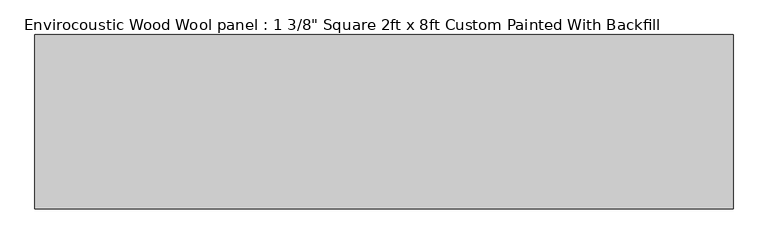
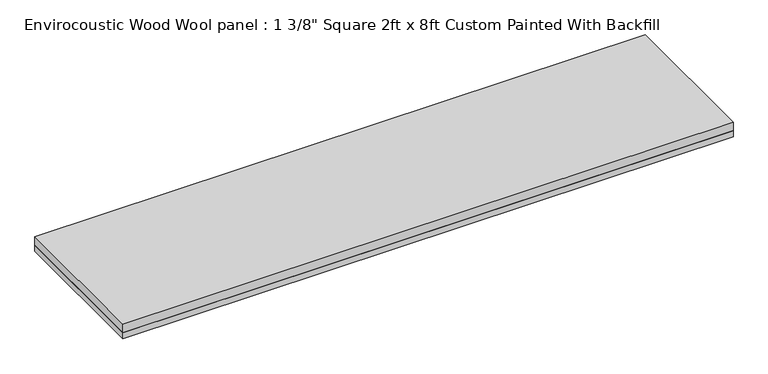
"""IFC4 building model written with IfcOpenShell, lengths in millimetres: proxy geometry."""

import ifcopenshell
import ifcopenshell.guid

model = None  # the IFC model being written
_history = None  # IfcOwnerHistory: only IFC2X3 demands one
_inside = {}  # id of a spatial element -> (the spatial element, [elements in it])
_under = {}  # id of a project, library or spatial element -> (it, [spatial elements below it])
_declared = {}  # id of a project -> (the project, [libraries it declares])
_typed = {}  # id of a type object -> (the type object, [elements of that type])
_made_of = {}  # id of a material, layer set ... -> (it, [elements and type objects made of it])


def new_model(schema):
    """Start an empty IFC model of exactly this schema.

    Asked for "IFC4X3", IfcOpenShell would pick the latest addendum, in which some entities
    have other attributes; the version numbers below select the first issue.
    IFC2X3 requires an IfcOwnerHistory on every rooted entity: one is made here for all.
    """
    global model, _history
    if schema == "IFC4X3":
        model = ifcopenshell.file(schema_version=(4, 3, 0, 0))
    else:
        model = ifcopenshell.file(schema=schema)
    _inside.clear()
    _under.clear()
    _declared.clear()
    _typed.clear()
    _made_of.clear()
    _history = None
    if model.schema == "IFC2X3":
        org = make("IfcOrganization", Name="unknown")
        user = make(
            "IfcPersonAndOrganization",
            ThePerson=make("IfcPerson", FamilyName="unknown"),
            TheOrganization=org,
        )
        app = make(
            "IfcApplication",
            ApplicationDeveloper=org,
            Version="unknown",
            ApplicationFullName="unknown",
            ApplicationIdentifier="unknown",
        )
        _history = make(
            "IfcOwnerHistory",
            OwningUser=user,
            OwningApplication=app,
            ChangeAction="ADDED",
            CreationDate=0,
        )
    return model


def make(cls, **values):
    """One entity of the class cls with the attributes given. An attribute that is None is left unset."""
    return model.create_entity(
        cls, **{name: value for name, value in values.items() if value is not None}
    )


def rooted(cls, **values):
    """An entity with a GlobalId (a new one), such as an element, a storey or a relation."""
    return make(cls, GlobalId=ifcopenshell.guid.new(), OwnerHistory=_history, **values)


def si_unit(unit_type, name, prefix=None):
    """IfcSIUnit, for example si_unit("LENGTHUNIT", "METRE", prefix="MILLI")."""
    return make("IfcSIUnit", UnitType=unit_type, Prefix=prefix, Name=name)


def assignment(units):
    """IfcUnitAssignment: the units of a project."""
    return None if units is None else make("IfcUnitAssignment", Units=units)


def point(xyz):
    """IfcCartesianPoint."""
    return None if xyz is None else make("IfcCartesianPoint", Coordinates=xyz)


def direction(xyz):
    """IfcDirection."""
    return None if xyz is None else make("IfcDirection", DirectionRatios=xyz)


def frame(location, z_axis=None, x_axis=None):
    """IfcAxis2Placement3D, a coordinate frame: its origin and axes. An axis left out is left unset."""
    return make(
        "IfcAxis2Placement3D",
        Location=point(location),
        Axis=direction(z_axis),
        RefDirection=direction(x_axis),
    )


def origin():
    """The frame at (0, 0, 0) with its axes left unset."""
    return frame((0.0, 0.0, 0.0))


def origin_with_axes():
    """The frame at (0, 0, 0) with the z axis (0, 0, 1) and the x axis (1, 0, 0) written out."""
    return frame((0.0, 0.0, 0.0), z_axis=(0.0, 0.0, 1.0), x_axis=(1.0, 0.0, 0.0))


def place(relative_to, where):
    """IfcLocalPlacement: puts the frame where relative to a parent placement (None: the world)."""
    return make(
        "IfcLocalPlacement", PlacementRelTo=relative_to, RelativePlacement=where
    )


def context(
    kind, dimensions, precision=None, world=None, true_north=None, identifier=None
):
    """IfcGeometricRepresentationContext, for example the 3D "Model" context."""
    return make(
        "IfcGeometricRepresentationContext",
        ContextIdentifier=identifier,
        ContextType=kind,
        CoordinateSpaceDimension=dimensions,
        Precision=precision,
        WorldCoordinateSystem=world,
        TrueNorth=true_north,
    )


def project(units=None, contexts=None):
    """IfcProject with its units and contexts."""
    return rooted(
        "IfcProject",
        Name="project",
        RepresentationContexts=contexts,
        UnitsInContext=assignment(units),
    )


def spatial(cls, under=None, at=None, **own):
    """A site, building, storey or space (cls), placed at a placement, below another one or the project."""
    s = rooted(cls, ObjectPlacement=at, **own)
    if under is not None:
        _under.setdefault(under.id(), (under, []))[1].append(s)
    return s


def polyline(points):
    """IfcPolyline through the points."""
    return make("IfcPolyline", Points=[point(p) for p in points])


def outline(outer, holes=None, kind="AREA"):
    """IfcArbitraryClosedProfileDef: a profile drawn as a closed curve; with holes, ...WithVoids."""
    if holes is None:
        return make("IfcArbitraryClosedProfileDef", ProfileType=kind, OuterCurve=outer)
    return make(
        "IfcArbitraryProfileDefWithVoids",
        ProfileType=kind,
        OuterCurve=outer,
        InnerCurves=holes,
    )


def extrude(swept, where, along, depth):
    """IfcExtrudedAreaSolid: the profile swept, set in the frame where, extruded along a direction by depth."""
    return make(
        "IfcExtrudedAreaSolid",
        SweptArea=swept,
        Position=where,
        ExtrudedDirection=direction(along),
        Depth=depth,
    )


def shape(context_of_items, identifier, shape_type, items):
    """IfcShapeRepresentation: the items that make up one representation, for example the "Body"."""
    return make(
        "IfcShapeRepresentation",
        ContextOfItems=context_of_items,
        RepresentationIdentifier=identifier,
        RepresentationType=shape_type,
        Items=items,
    )


def source(mapping_origin, context_of_items, identifier, shape_type, items):
    """IfcRepresentationMap: a shape defined once, which mapped items show again and again."""
    return make(
        "IfcRepresentationMap",
        MappingOrigin=mapping_origin,
        MappedRepresentation=shape(context_of_items, identifier, shape_type, items),
    )


def transform(
    local_origin,
    x_axis=None,
    y_axis=None,
    z_axis=None,
    scale=None,
    scale2=None,
    scale3=None,
    uniform=True,
):
    """IfcCartesianTransformationOperator3D, or its non-uniform kind. x_axis, y_axis, z_axis: its Axis1, 2, 3."""
    if uniform:
        return make(
            "IfcCartesianTransformationOperator3D",
            Axis1=direction(x_axis),
            Axis2=direction(y_axis),
            LocalOrigin=point(local_origin),
            Scale=scale,
            Axis3=direction(z_axis),
        )
    return make(
        "IfcCartesianTransformationOperator3DnonUniform",
        Axis1=direction(x_axis),
        Axis2=direction(y_axis),
        LocalOrigin=point(local_origin),
        Scale=scale,
        Axis3=direction(z_axis),
        Scale2=scale2,
        Scale3=scale3,
    )


def mapped(mapping_source, mapping_target):
    """IfcMappedItem: shows the shape of a source again, moved by a transform."""
    return make(
        "IfcMappedItem", MappingSource=mapping_source, MappingTarget=mapping_target
    )


def made_of(thing, what):
    """Note that an element or type object is made of a material, layer set ...; save() writes the relation."""
    if what is not None:
        _made_of.setdefault(what.id(), (what, []))[1].append(thing)
    return thing


def element(
    cls,
    number,
    at=None,
    inside=None,
    cuts=None,
    type_object=None,
    material=None,
    context=None,
    identifier="Body",
    shape_type=None,
    held_by="IfcProductDefinitionShape",
    body=None,
    shapes=None,
    **own,
):
    """One element of the class cls, such as IfcWall. Its Tag is "e" and its number.

    at: its placement. inside: the storey or other place that contains it. cuts: it is an
    opening in that element (IfcRelVoidsElement). A single representation is given by context,
    identifier, shape_type and body (its items); several are given by shapes. held_by: the class
    of the entity that holds the representations. save() writes the other relations.
    """
    e = rooted(cls, Tag="e%d" % number, ObjectPlacement=at, **own)
    if body is not None:
        shapes = [shape(context, identifier, shape_type, body)]
    if shapes is not None:
        e.Representation = make(held_by, Representations=shapes)
    if inside is not None:
        _inside.setdefault(inside.id(), (inside, []))[1].append(e)
    if cuts is not None:
        rooted(
            "IfcRelVoidsElement", RelatingBuildingElement=cuts, RelatedOpeningElement=e
        )
    if type_object is not None:
        _typed.setdefault(type_object.id(), (type_object, []))[1].append(e)
    return made_of(e, material)


def aggregate(whole, parts):
    """IfcRelAggregates: a whole, such as a stair, and the parts it consists of."""
    return rooted("IfcRelAggregates", RelatingObject=whole, RelatedObjects=parts)


def save(model, path):
    """Write the relations noted so far, then the file.

    IfcRelAggregates (storeys below a building ...), IfcRelContainedInSpatialStructure (elements
    in a storey), IfcRelDefinesByType, IfcRelAssociatesMaterial and IfcRelDeclares: one each for
    every whole, place, type object, material and project.
    """
    for whole, parts in _under.values():
        aggregate(whole, parts)
    for where, things in _inside.values():
        rooted(
            "IfcRelContainedInSpatialStructure",
            RelatedElements=things,
            RelatingStructure=where,
        )
    for kind, things in _typed.values():
        rooted("IfcRelDefinesByType", RelatedObjects=things, RelatingType=kind)
    for what, things in _made_of.values():
        rooted("IfcRelAssociatesMaterial", RelatedObjects=things, RelatingMaterial=what)
    for by, libraries in _declared.values():
        rooted("IfcRelDeclares", RelatingContext=by, RelatedDefinitions=libraries)
    model.write(path)


def proxy_0cfd0229(model_context):
    return source(origin(), model_context, "Body", "SweptSolid", [
        extrude(outline(polyline([(1219.2, 304.8), (1219.2, -304.8), (-1219.2, -304.8), (-1219.2, 304.8), (1219.2, 304.8)])), origin_with_axes(), (0.0, 0.0, 1.0), 25.4),
        extrude(outline(polyline([(-1219.2, 304.8), (1219.2, 304.8), (1219.2, -304.8), (-1219.2, -304.8), (-1219.2, 304.8)])), frame((0.0, 0.0, 25.4), z_axis=(0.0, 0.0, 1.0), x_axis=(1.0, 0.0, 0.0)), (0.0, 0.0, 1.0), 34.925),
    ])


if __name__ == "__main__":
    model = new_model("IFC4")
    model_context = context("Model", 3, world=origin())
    ifc_project = project(units=[si_unit("LENGTHUNIT", "METRE", prefix="MILLI")], contexts=[model_context])
    site = spatial("IfcSite", under=ifc_project)
    building = spatial("IfcBuilding", under=site)
    placement = place(None, origin())
    proxy_shape = proxy_0cfd0229(model_context)
    element("IfcBuildingElementProxy", 1, Name="Envirocoustic Wood Wool panel : 1 3/8\" Square 2ft x 8ft Custom Painted With Backfill", ObjectType="Envirocoustic Wood Wool panel : 1 3/8\" Square 2ft x 8ft Custom Painted With Backfill", at=placement, inside=building, context=model_context, shape_type="MappedRepresentation", body=[
        mapped(proxy_shape, transform((0.0, 0.0, 0.0), x_axis=(1.0, 0.0, 0.0), y_axis=(0.0, 1.0, 0.0), z_axis=(0.0, 0.0, 1.0))),
    ])
    save(model, "model.ifc")
